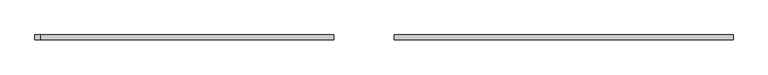
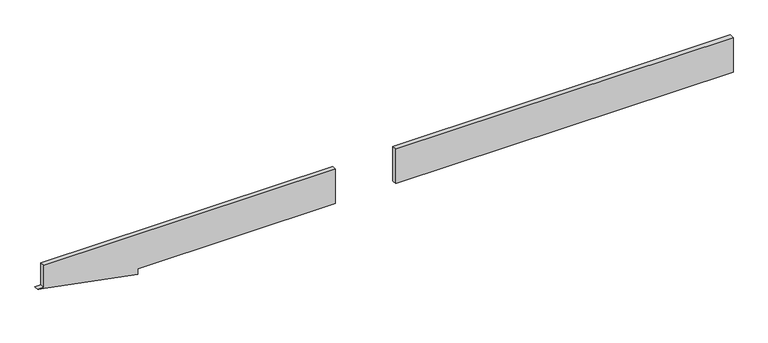
"""IFC4 building model written with IfcOpenShell, lengths in millimetres: plate geometry."""

from ifc_helpers import new_model, si_unit, frame, origin, place, context, project, spatial, polyline, outline, extrude, source, transform, mapped, element, save


def plate_09c9b78d(model_context):
    return source(origin(), model_context, "Body", "SweptSolid", [
        extrude(outline(polyline([(1434.1666667, 20.0), (42.8429965, 20.0), (42.8429965, 40.0), (1434.1666667, 40.0), (1434.1666667, 20.0)])), frame((0.0, 0.0, 25.0), z_axis=(0.0, 0.0, 1.0), x_axis=(1.0, 0.0, 0.0)), (0.0, 0.0, 1.0), 150.0),
        extrude(outline(polyline([(0.0, -1021.2356439), (25.0, -1021.2356439), (25.0, -205.8729008), (175.0, -205.8729008), (175.0, -1409.1666667), (78.9955, -1409.1666667), (78.9955, -1434.1666667), (0.0, -1021.2356439)])), frame((0.0, 20.0, 0.0), z_axis=(0.0, 1.0, 0.0), x_axis=(0.0, 0.0, 1.0)), (0.0, 0.0, 1.0), 20.0),
    ])


if __name__ == "__main__":
    model = new_model("IFC4")
    model_context = context("Model", 3, world=origin())
    ifc_project = project(units=[si_unit("LENGTHUNIT", "METRE", prefix="MILLI")], contexts=[model_context])
    site = spatial("IfcSite", under=ifc_project)
    building = spatial("IfcBuilding", under=site)
    placement = place(None, origin())
    plate_shape = plate_09c9b78d(model_context)
    element("IfcPlate", 1, at=placement, inside=building, context=model_context, shape_type="MappedRepresentation", body=[
        mapped(plate_shape, transform((0.0, 0.0, 0.0), x_axis=(1.0, 0.0, 0.0), y_axis=(0.0, 1.0, 0.0), z_axis=(0.0, 0.0, 1.0))),
    ])
    save(model, "model.ifc")
